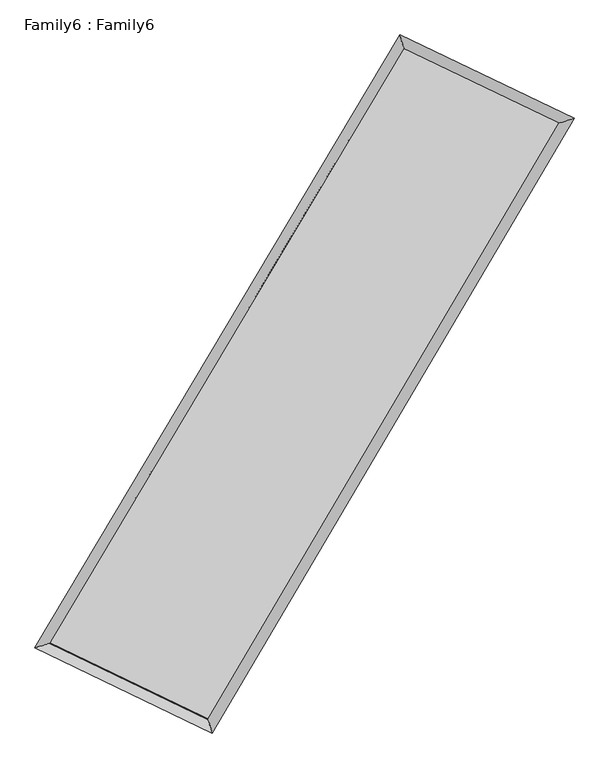
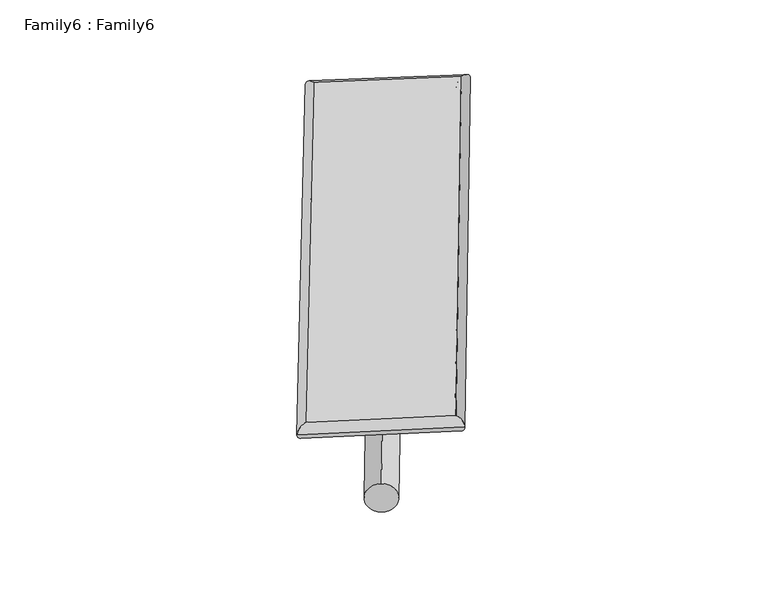
"""IFC4 building model written with IfcOpenShell, lengths in millimetres: plate geometry, Family6 : Family6."""

from ifc_helpers import new_model, si_unit, point, frame, origin, origin_2d, place, context, project, spatial, circle_curve, ellipse_curve, trimmed, segment, composite_curve, outline, extrude, source, transform, mapped, element, save
from ifc_brep_helpers import plane_surface, cylinder_surface, spline_surface, advanced_brep


def family6_family6_87fa3686(model_context):
    return source(origin(), model_context, "Body", "SolidModel", [
        extrude(outline(composite_curve([segment(trimmed(circle_curve(origin_2d(), 76.2), [point((-75.4341514, -10.7763074))], [point((75.4341514, 10.7763074))], False, "CARTESIAN"), True, "CONTINUOUS"), segment(trimmed(circle_curve(origin_2d(), 76.2), [point((75.4341514, 10.7763074))], [point((-75.4341514, -10.7763074))], False, "CARTESIAN"), True, "CONTINUOUS")], self_intersect=False)), frame((9144.0, 9144.0, 0.0), z_axis=(0.6734408673792155, 0.6893470262233754, 0.2669795415018146), x_axis=(-0.6807306565121302, 0.719102413558158, -0.1396334204243246)), (0.0, 0.0, 1.0), 5682.9131426),
        extrude(outline(composite_curve([segment(trimmed(circle_curve(origin_2d(), 76.2), [point((-53.8815367, 53.8815367))], [point((53.8815367, -53.8815367))], False, "CARTESIAN"), True, "CONTINUOUS"), segment(trimmed(circle_curve(origin_2d(), 76.2), [point((53.8815367, -53.8815367))], [point((-53.8815367, 53.8815367))], False, "CARTESIAN"), True, "CONTINUOUS")], self_intersect=False)), frame((9144.0, 9144.0, 0.0), z_axis=(-0.6764931071037397, -0.6864472894075115, 0.26673431520186586), x_axis=(0.6368408455036303, -0.3633801942170449, 0.6799915969694066)), (0.0, 0.0, 1.0), 5688.9039388),
        extrude(outline(composite_curve([segment(trimmed(circle_curve(origin_2d(), 76.2), [point((-53.8815367, -53.8815367))], [point((53.8815367, 53.8815367))], False, "CARTESIAN"), True, "CONTINUOUS"), segment(trimmed(circle_curve(origin_2d(), 76.2), [point((53.8815367, 53.8815367))], [point((-53.8815367, -53.8815367))], False, "CARTESIAN"), True, "CONTINUOUS")], self_intersect=False)), frame((9144.0, 9144.0, 0.0), z_axis=(0.27066263700074616, 0.9212938551609096, 0.2792120509121179), x_axis=(-0.8413955655679926, 0.3673226516872789, -0.3963932035239051)), (0.0, 0.0, 1.0), 5471.7337754),
        extrude(outline(composite_curve([segment(trimmed(circle_curve(origin_2d(), 76.2), [point((-75.4341514, 10.7763073))], [point((75.4341514, -10.7763073))], False, "CARTESIAN"), True, "CONTINUOUS"), segment(trimmed(circle_curve(origin_2d(), 76.2), [point((75.4341514, -10.7763073))], [point((-75.4341514, 10.7763073))], False, "CARTESIAN"), True, "CONTINUOUS")], self_intersect=False)), frame((9144.0, 9144.0, 0.0), z_axis=(-0.2663633943928182, -0.9226226874073282, 0.27895863279134364), x_axis=(0.8803470458697393, -0.11502333862915873, 0.46017247896742497)), (0.0, 0.0, 1.0), 5477.0265754),
        advanced_brep(
        [(5079.2735027, 5173.6821773, 1518.2330048), (5511.721911, 5304.057823, 1518.4478018), (5511.7178942, 5304.0524457, 1516.618788), (10684.6897597, 13987.5114618, 1526.662979), (10565.2980256, 14382.6379468, 1528.8850399), (5079.2694859, 5173.6768, 1516.4039909), (12755.493338, 12995.7838902, 1517.3488115), (13186.7185739, 13127.21466, 1517.0942789), (7624.9057704, 4288.7777528, 1527.6782484), (7745.33545, 3892.7642911, 1528.0494421)],
        [
            (0, 1, ellipse_curve(frame((5295.4956984, 5238.8673115, 1517.4258964), z_axis=(-0.288648177088289, 0.9574327513648393, -0.002180935019971619), x_axis=(-0.9574275825128984, -0.28865422863951895, -0.003340738246520891)), 225.8422184, 152.4)),
            (1, 2, ellipse_curve(frame((5295.4956984, 5238.8673115, 1517.4258964), z_axis=(-0.288648177088289, 0.9574327513648393, -0.002180935019971619), x_axis=(-0.9574275825128984, -0.28865422863951895, -0.003340738246520891)), 225.8422184, 152.4)),
            (2, 3),
            (3, 4, ellipse_curve(frame((10624.9938926, 14185.0747043, 1527.7740095), z_axis=(-0.9572498232113105, -0.2892550339574365, 0.0020739556882229016), x_axis=(0.2892461938583692, -0.9572474169362755, -0.0037446104303231194)), 206.3883744, 152.4)),
            (4, 0),
            (2, 5, ellipse_curve(frame((5295.4956984, 5238.8673115, 1517.4258964), z_axis=(-0.288648177088289, 0.9574327513648393, -0.002180935019971619), x_axis=(-0.9574275825128984, -0.28865422863951895, -0.003340738246520891)), 225.8422184, 152.4)),
            (5, 0, ellipse_curve(frame((5295.4956984, 5238.8673115, 1517.4258964), z_axis=(-0.288648177088289, 0.9574327513648393, -0.002180935019971619), x_axis=(-0.9574275825128984, -0.28865422863951895, -0.003340738246520891)), 225.8422184, 152.4)),
            (4, 3, ellipse_curve(frame((10624.9938926, 14185.0747043, 1527.7740095), z_axis=(-0.9572498232113105, -0.2892550339574365, 0.0020739556882229016), x_axis=(0.2892461938583692, -0.9572474169362755, -0.0037446104303231194)), 206.3883744, 152.4)),
            (3, 6),
            (6, 7, ellipse_curve(frame((12971.105956, 13061.4992751, 1517.2215452), z_axis=(-0.29154194306392744, 0.956555413711816, 0.0022440884844939805), x_axis=(-0.9565498863341713, -0.2915483438619124, 0.003446468549155228)), 225.405923, 152.4)),
            (7, 4),
            (7, 6, ellipse_curve(frame((12971.105956, 13061.4992751, 1517.2215452), z_axis=(-0.29154194306392744, 0.956555413711816, 0.0022440884844939805), x_axis=(-0.9565498863341713, -0.2915483438619124, 0.003446468549155228)), 225.405923, 152.4)),
            (6, 8),
            (8, 9, ellipse_curve(frame((7685.1206102, 4090.771022, 1527.8638452), z_axis=(0.956736174574945, 0.29095012365112344, 0.001979345118015745), x_axis=(-0.29094179919902535, 0.9567337339264952, -0.0036649482807245776)), 206.9608753, 152.4)),
            (9, 7),
            (9, 8, ellipse_curve(frame((7685.1206102, 4090.771022, 1527.8638452), z_axis=(0.956736174574945, 0.29095012365112344, 0.001979345118015745), x_axis=(-0.29094179919902535, 0.9567337339264952, -0.0036649482807245776)), 206.9608753, 152.4)),
            (8, 1),
            (5, 9),
        ],
        [
            cylinder_surface(frame((5295.4956984, 5238.8673115, 1517.4258964), z_axis=(-0.5117937754418217, -0.8591077603613636, -0.0009937333083392696), x_axis=(-0.8590939309046254, 0.5117781539508903, 0.006382712703677135)), 152.4),
            cylinder_surface(frame((10624.9938926, 14185.0747043, 1527.7740095), z_axis=(-0.9018989624468794, 0.43192800959204947, 0.004056607830799705), x_axis=(0.4319419055680885, 0.9018943030104933, 0.003585583833211804)), 152.4),
            cylinder_surface(frame((12971.105956, 13061.4992751, 1517.2215452), z_axis=(0.5076680431850351, 0.8615521535343047, -0.0010220905436833468), x_axis=(0.8615527147160462, -0.5076680431850351, 0.00027873659369925927)), 152.4),
            cylinder_surface(frame((7685.1206102, 4090.771022, 1527.8638452), z_axis=(0.9013576267294936, -0.4330576492145814, 0.003937155485325435), x_axis=(-0.4330512430596175, -0.9013661091763273, -0.0023996068113941683)), 152.4),
        ],
        [
            (0, [[1, 2, 3, 4, 5]]),
            (0, [[6, 7, -5, 8, -3]]),
            (1, [[-4, 9, 10, 11]]),
            (1, [[-8, -11, 12, -9]]),
            (2, [[-10, 13, 14, 15]]),
            (2, [[-12, -15, 16, -13]]),
            (3, [[-14, 17, -1, -7, 18]]),
            (3, [[-16, -18, -6, -2, -17]]),
        ],
    ),
        extrude(outline(composite_curve([segment(trimmed(circle_curve(origin_2d(), 304.8), [point((0.0, -304.8))], [point((0.0, 304.8))], False, "CARTESIAN"), True, "CONTINUOUS"), segment(trimmed(circle_curve(origin_2d(), 304.8), [point((0.0, 304.8))], [point((0.0, -304.8))], False, "CARTESIAN"), True, "CONTINUOUS")], self_intersect=False)), frame((6482.9511272, 4635.7436906, -0.0007276), z_axis=(0.5083157211537854, 0.8611707888844625, 1.3899065983051804e-07), x_axis=(-0.8611707888844731, 0.5083157211537854, 3.7960587984371236e-08)), (0.0, 0.0, 1.0), 10470.0632385),
        advanced_brep(
        [(5295.4956984, 5238.8673115, 1517.4258964), (7685.1206102, 4090.771022, 1527.8638452), (7685.1194053, 4090.7742665, 1680.2638452), (5295.4944936, 5238.870556, 1669.8258963), (12971.105956, 13061.4992751, 1517.2215452), (12971.1047511, 13061.5025196, 1669.6215452), (10624.9938926, 14185.0747043, 1527.7740095), (10624.9926878, 14185.0779488, 1680.1740094)],
        [
            (0, 1),
            (1, 2),
            (2, 3),
            (3, 0),
            (1, 4),
            (4, 5),
            (5, 2),
            (4, 6),
            (6, 7),
            (7, 5),
            (6, 0),
            (3, 7),
        ],
        [
            plane_surface(frame((6490.3081543, 4664.8191667, 1522.6448708), z_axis=(-0.4330610616050445, -0.9013645858768544, 1.576574062705431e-05), x_axis=(0.9013576267294934, -0.4330576492145818, 0.003937155485325435))),
            plane_surface(frame((10328.1132831, 8576.1351486, 1522.5426952), z_axis=(0.8615526125616778, -0.5076682927638007, 1.7619188001668346e-05), x_axis=(0.5076680431850351, 0.8615521535343046, -0.0010220905436833492))),
            plane_surface(frame((11798.0499243, 13623.2869897, 1522.4977773), z_axis=(0.43193150574308675, 0.90190641094146, -1.5786205782782796e-05), x_axis=(-0.9018989624468793, 0.4319280095920499, 0.004056607830799706))),
            plane_surface(frame((7960.2447955, 9711.9710079, 1522.5999529), z_axis=(-0.8591081754185425, 0.51179404316206, -1.7687697161228766e-05), x_axis=(-0.5117937754418217, -0.8591077603613637, -0.000993733308339271))),
            spline_surface(1, 1, [[(7685.1194053, 4090.7742665, 1680.2638452), (5295.4944936, 5238.870556, 1669.8258963)], [(12971.1047511, 13061.5025196, 1669.6215452), (10624.9926878, 14185.0779488, 1680.1740094)]], [2, 2], [2, 2], [0.0, 1.0], [0.0, 1.0]),
            spline_surface(1, 1, [[(10624.9938926, 14185.0747043, 1527.7740095), (5295.4956984, 5238.8673115, 1517.4258964)], [(12971.105956, 13061.4992751, 1517.2215452), (7685.1206102, 4090.771022, 1527.8638452)]], [2, 2], [2, 2], [0.0, 1.0], [0.0, 1.0]),
        ],
        [
            (0, [[1, 2, 3, 4]]),
            (1, [[5, 6, 7, -2]]),
            (2, [[8, 9, 10, -6]]),
            (3, [[11, -4, 12, -9]]),
            (4, [[-3, -7, -10, -12]]),
            (5, [[-11, -8, -5, -1]]),
        ],
    ),
    ])


if __name__ == "__main__":
    model = new_model("IFC4")
    model_context = context("Model", 3, world=origin())
    ifc_project = project(units=[si_unit("LENGTHUNIT", "METRE", prefix="MILLI")], contexts=[model_context])
    site = spatial("IfcSite", under=ifc_project)
    building = spatial("IfcBuilding", under=site)
    placement = place(None, origin())
    family6_family6_shape = family6_family6_87fa3686(model_context)
    element("IfcPlate", 1, ObjectType="Family6 : Family6", at=placement, inside=building, context=model_context, shape_type="MappedRepresentation", body=[
        mapped(family6_family6_shape, transform((0.0, 0.0, 0.0), x_axis=(1.0, 0.0, 0.0), y_axis=(0.0, 1.0, 0.0), z_axis=(0.0, 0.0, 1.0))),
    ])
    save(model, "model.ifc")
